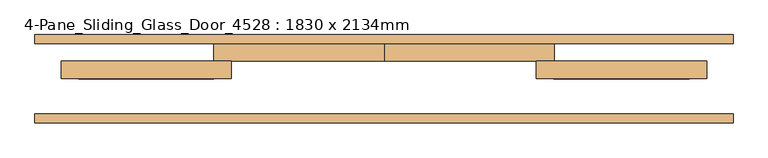
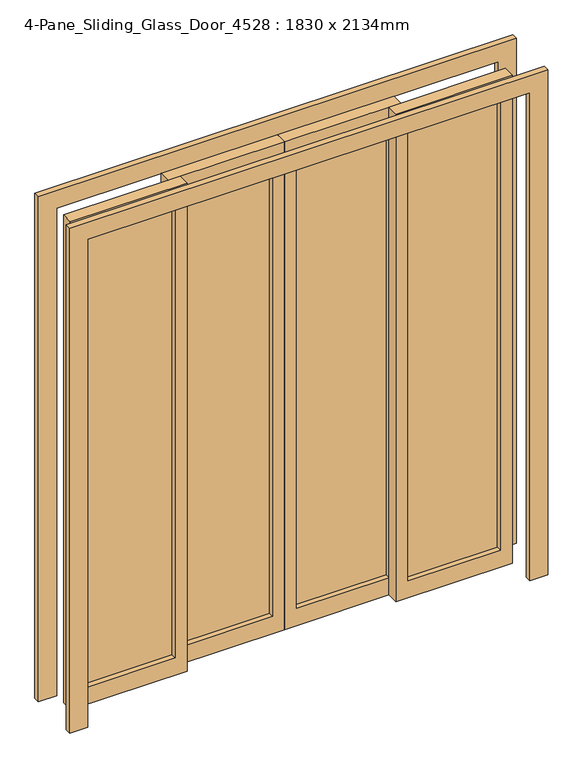
"""IFC4 building model written with IfcOpenShell, lengths in millimetres: door geometry, 4-Pane_Sliding_Glass_Door_4528 : 1830 x 2134mm."""

from ifc_helpers import new_model, si_unit, frame, origin, place, context, project, spatial, polyline, outline, extrude, source, transform, mapped, element, save


def door_4_pane_sliding_glass_door_4528_1830_x_2134mm_77be2ad6(model_context):
    return source(origin(), model_context, "Body", "SweptSolid", [
        extrude(outline(polyline([(-862.5, 155.175), (-440.0, 155.175), (-440.0, 148.825), (-862.5, 148.825), (-862.5, 155.175)])), frame((0.0, 0.0, 75.0), z_axis=(0.0, 0.0, 1.0), x_axis=(1.0, 0.0, 0.0)), (0.0, 0.0, 1.0), 1984.0),
        extrude(outline(polyline([(2134.0, -390.0), (2134.0, -872.5), (0.0, -872.5), (0.0, -390.0), (2134.0, -390.0)]), holes=[polyline([(2059.0, -440.0), (75.0, -440.0), (75.0, -822.5), (2059.0, -822.5), (2059.0, -440.0)])]), frame((0.0, 127.0, 0.0), z_axis=(0.0, 1.0, 0.0), x_axis=(0.0, 0.0, 1.0)), (0.0, 0.0, 1.0), 50.0),
        extrude(outline(polyline([(-390.0, 205.175), (-7.5, 205.175), (-7.5, 198.825), (-390.0, 198.825), (-390.0, 205.175)])), frame((0.0, 0.0, 75.0), z_axis=(0.0, 0.0, 1.0), x_axis=(1.0, 0.0, 0.0)), (0.0, 0.0, 1.0), 1984.0),
        extrude(outline(polyline([(2134.0, -440.0), (0.0, -440.0), (0.0, 42.5), (2134.0, 42.5), (2134.0, -440.0)]), holes=[polyline([(2059.0, -390.0), (2059.0, -7.5), (75.0, -7.5), (75.0, -390.0), (2059.0, -390.0)])]), frame((0.0, 177.0, 0.0), z_axis=(0.0, 1.0, 0.0), x_axis=(0.0, 0.0, 1.0)), (0.0, 0.0, 1.0), 50.0),
        extrude(outline(polyline([(525.4, 155.175), (907.5, 155.175), (907.5, 148.825), (525.4, 148.825), (525.4, 155.175)])), frame((0.0, 0.0, 75.0), z_axis=(0.0, 0.0, 1.0), x_axis=(1.0, 0.0, 0.0)), (0.0, 0.0, 1.0), 1984.0),
        extrude(outline(polyline([(2134.0, 474.6), (0.0, 474.6), (0.0, 957.5), (2134.0, 957.5), (2134.0, 474.6)]), holes=[polyline([(2059.0, 524.6), (2059.0, 907.5), (75.0, 907.5), (75.0, 524.6), (2059.0, 524.6)])]), frame((0.0, 127.0, 0.0), z_axis=(0.0, 1.0, 0.0), x_axis=(0.0, 0.0, 1.0)), (0.0, 0.0, 1.0), 50.0),
        extrude(outline(polyline([(92.5, 205.175), (475.4, 205.175), (475.4, 198.825), (92.5, 198.825), (92.5, 205.175)])), frame((0.0, 0.0, 75.0), z_axis=(0.0, 0.0, 1.0), x_axis=(1.0, 0.0, 0.0)), (0.0, 0.0, 1.0), 1984.0),
        extrude(outline(polyline([(2134.0, 525.4), (2134.0, 42.5), (0.0, 42.5), (0.0, 525.4), (2134.0, 525.4)]), holes=[polyline([(2059.0, 475.4), (75.0, 475.4), (75.0, 92.5), (2059.0, 92.5), (2059.0, 475.4)])]), frame((0.0, 177.0, 0.0), z_axis=(0.0, 1.0, 0.0), x_axis=(0.0, 0.0, 1.0)), (0.0, 0.0, 1.0), 50.0),
        extrude(outline(polyline([(0.0, -947.5), (0.0, -872.5), (2134.0, -872.5), (2134.0, 957.5), (0.0, 957.5), (0.0, 1032.5), (2209.0, 1032.5), (2209.0, -947.5), (0.0, -947.5)])), frame((0.0, 2.0, 0.0), z_axis=(0.0, 1.0, 0.0), x_axis=(0.0, 0.0, 1.0)), (0.0, 0.0, 1.0), 25.0),
        extrude(outline(polyline([(0.0, 1032.5), (2209.0, 1032.5), (2209.0, -947.5), (0.0, -947.5), (0.0, -872.5), (2134.0, -872.5), (2134.0, 957.5), (0.0, 957.5), (0.0, 1032.5)])), frame((0.0, 227.0, 0.0), z_axis=(0.0, 1.0, 0.0), x_axis=(0.0, 0.0, 1.0)), (0.0, 0.0, 1.0), 25.0),
    ])


if __name__ == "__main__":
    model = new_model("IFC4")
    model_context = context("Model", 3, world=origin())
    ifc_project = project(units=[si_unit("LENGTHUNIT", "METRE", prefix="MILLI")], contexts=[model_context])
    site = spatial("IfcSite", under=ifc_project)
    building = spatial("IfcBuilding", under=site)
    placement = place(None, origin())
    door_4_pane_sliding_glass_door_4528_1830_x_2134mm_shape = door_4_pane_sliding_glass_door_4528_1830_x_2134mm_77be2ad6(model_context)
    element("IfcDoor", 1, ObjectType="4-Pane_Sliding_Glass_Door_4528 : 1830 x 2134mm", at=placement, inside=building, context=model_context, shape_type="MappedRepresentation", body=[
        mapped(door_4_pane_sliding_glass_door_4528_1830_x_2134mm_shape, transform((0.0, 0.0, 0.0), x_axis=(1.0, 0.0, 0.0), y_axis=(0.0, 1.0, 0.0), z_axis=(0.0, 0.0, 1.0))),
    ])
    save(model, "model.ifc")
